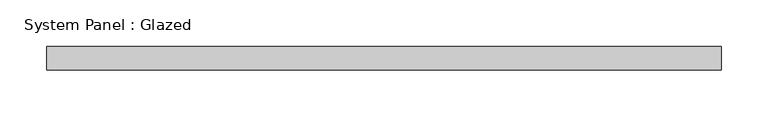
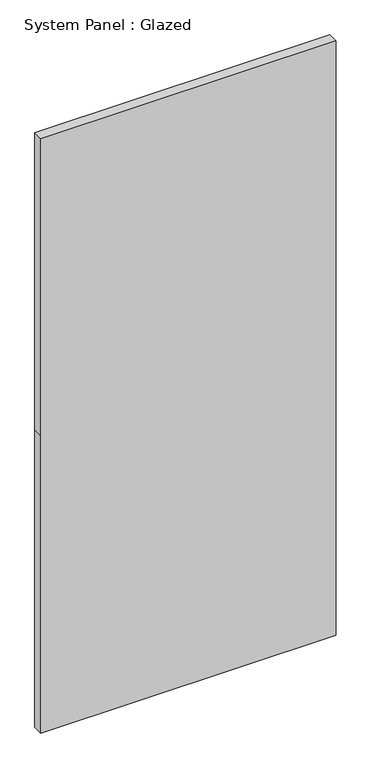
"""IFC4 building model written with IfcOpenShell, lengths in millimetres: plate geometry, System Panel : Glazed."""

from ifc_helpers import new_model, si_unit, frame, origin, place, context, project, spatial, polyline, outline, extrude, source, transform, mapped, element, save


def system_panel_glazed_cad6cbdc(model_context):
    return source(origin(), model_context, "Body", "SweptSolid", [
        extrude(outline(polyline([(0.0, -361.2), (0.0, 361.2), (768.2, 361.2), (1536.4, 361.2), (1536.4, -361.2), (768.2, -361.2), (0.0, -361.2)])), frame((0.0, -88.9, 0.0), z_axis=(0.0, 1.0, 0.0), x_axis=(0.0, 0.0, 1.0)), (0.0, 0.0, 1.0), 25.4),
    ])


if __name__ == "__main__":
    model = new_model("IFC4")
    model_context = context("Model", 3, world=origin())
    ifc_project = project(units=[si_unit("LENGTHUNIT", "METRE", prefix="MILLI")], contexts=[model_context])
    site = spatial("IfcSite", under=ifc_project)
    building = spatial("IfcBuilding", under=site)
    placement = place(None, origin())
    system_panel_glazed_shape = system_panel_glazed_cad6cbdc(model_context)
    element("IfcPlate", 1, ObjectType="System Panel : Glazed", at=placement, inside=building, context=model_context, shape_type="MappedRepresentation", body=[
        mapped(system_panel_glazed_shape, transform((0.0, 0.0, 0.0), x_axis=(1.0, 0.0, 0.0), y_axis=(0.0, 1.0, 0.0), z_axis=(0.0, 0.0, 1.0))),
    ])
    save(model, "model.ifc")
